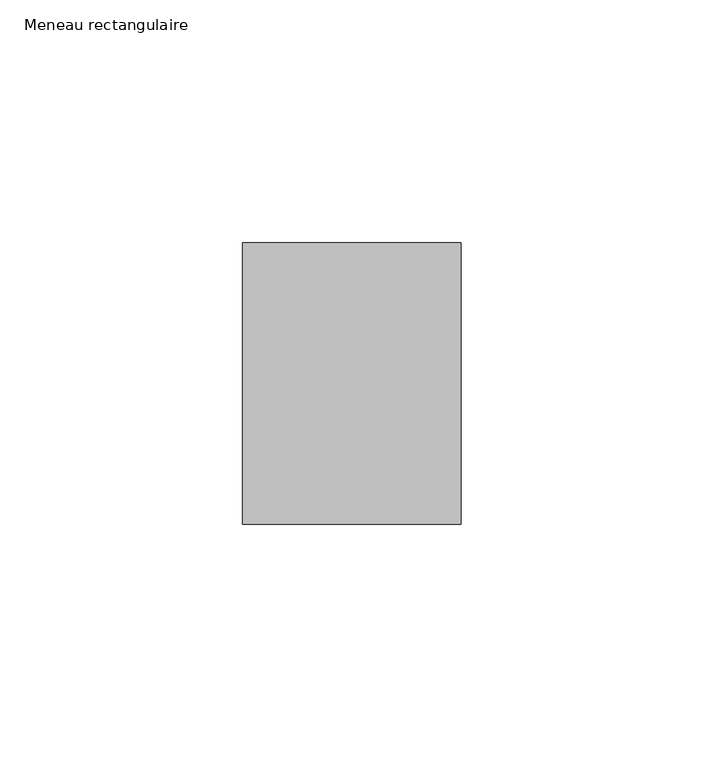
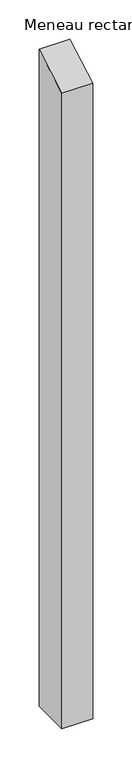
"""IFC4 building model written with IfcOpenShell, lengths in millimetres: member geometry, Meneau rectangulaire."""

from ifc_helpers import new_model, si_unit, frame, origin, place, context, project, spatial, polyline, outline, extrude, source, transform, mapped, element, save


def meneau_rectangulaire_342b6b06(model_context):
    return source(origin(), model_context, "Body", "SweptSolid", [
        extrude(outline(polyline([(-29.0, -16.7431578), (29.0, 16.7431578), (29.0, -1005.5040494), (-29.0, -1005.5040494), (-29.0, -16.7431578)])), frame((-45.0, 0.0, 0.0), z_axis=(1.0, 0.0, 0.0), x_axis=(0.0, 1.0, 0.0)), (0.0, 0.0, 1.0), 45.0),
    ])


if __name__ == "__main__":
    model = new_model("IFC4")
    model_context = context("Model", 3, world=origin())
    ifc_project = project(units=[si_unit("LENGTHUNIT", "METRE", prefix="MILLI")], contexts=[model_context])
    site = spatial("IfcSite", under=ifc_project)
    building = spatial("IfcBuilding", under=site)
    placement = place(None, origin())
    meneau_rectangulaire_shape = meneau_rectangulaire_342b6b06(model_context)
    element("IfcMember", 1, ObjectType="Meneau rectangulaire", at=placement, inside=building, context=model_context, shape_type="MappedRepresentation", body=[
        mapped(meneau_rectangulaire_shape, transform((0.0, 0.0, 0.0), x_axis=(1.0, 0.0, 0.0), y_axis=(0.0, 1.0, 0.0), z_axis=(0.0, 0.0, 1.0))),
    ])
    save(model, "model.ifc")
